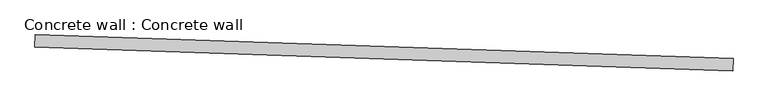
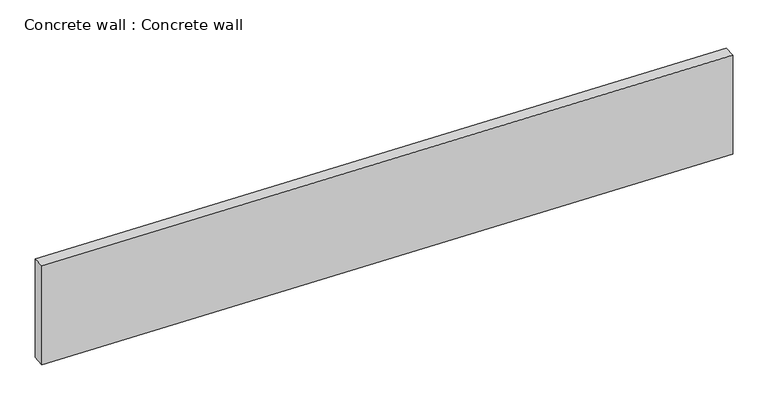
"""IFC4 building model written with IfcOpenShell, lengths in millimetres: proxy geometry, Concrete wall : Concrete wall."""

from ifc_helpers import new_model, si_unit, frame, origin, place, context, project, spatial, polyline, outline, extrude, source, transform, mapped, element, save


def concrete_wall_concrete_wall_48b569dd(model_context):
    return source(origin(), model_context, "Body", "SweptSolid", [
        extrude(outline(polyline([(34365.3745836, -15154.9201669), (34354.9498776, -15459.5418429), (17296.1360202, -14875.7583066), (17306.5607262, -14571.1366306), (34365.3745836, -15154.9201669)])), frame((0.0, 0.0, 3083.8754833), z_axis=(0.0, 0.0, 1.0), x_axis=(1.0, 0.0, 0.0)), (0.0, 0.0, 1.0), 2628.9),
    ])


if __name__ == "__main__":
    model = new_model("IFC4")
    model_context = context("Model", 3, world=origin())
    ifc_project = project(units=[si_unit("LENGTHUNIT", "METRE", prefix="MILLI")], contexts=[model_context])
    site = spatial("IfcSite", under=ifc_project)
    building = spatial("IfcBuilding", under=site)
    placement = place(None, origin())
    concrete_wall_concrete_wall_shape = concrete_wall_concrete_wall_48b569dd(model_context)
    element("IfcBuildingElementProxy", 1, Name="Concrete wall : Concrete wall", ObjectType="Concrete wall : Concrete wall", at=placement, inside=building, context=model_context, shape_type="MappedRepresentation", body=[
        mapped(concrete_wall_concrete_wall_shape, transform((0.0, 0.0, 0.0), x_axis=(1.0, 0.0, 0.0), y_axis=(0.0, 1.0, 0.0), z_axis=(0.0, 0.0, 1.0))),
    ])
    save(model, "model.ifc")
